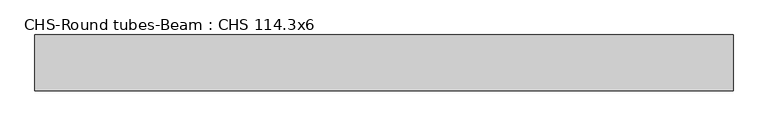
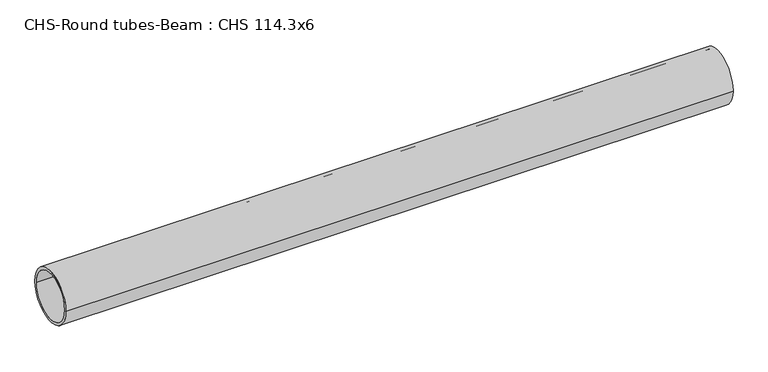
"""IFC4 building model written with IfcOpenShell, lengths in millimetres: beam geometry, CHS-Round tubes-Beam : CHS 114.3x6."""

from ifc_helpers import new_model, si_unit, point, frame, origin, origin_2d, place, context, project, spatial, circle_curve, trimmed, segment, composite_curve, outline, extrude, source, transform, mapped, element, save


def chs_round_tubes_beam_chs_114_3x6_82e7f76d(model_context):
    return source(origin(), model_context, "Body", "SweptSolid", [
        extrude(outline(composite_curve([segment(trimmed(circle_curve(origin_2d(), 57.15), [point((57.15, 0.0))], [point((-57.15, 0.0))], False, "CARTESIAN"), True, "CONTINUOUS"), segment(trimmed(circle_curve(origin_2d(), 57.15), [point((-57.15, 0.0))], [point((57.15, 0.0))], False, "CARTESIAN"), True, "CONTINUOUS")], self_intersect=False), holes=[composite_curve([segment(trimmed(circle_curve(origin_2d(), 51.15), [point((51.15, 0.0))], [point((-51.15, 0.0))], True, "CARTESIAN"), True, "CONTINUOUS"), segment(trimmed(circle_curve(origin_2d(), 51.15), [point((-51.15, 0.0))], [point((51.15, 0.0))], True, "CARTESIAN"), True, "CONTINUOUS")], self_intersect=False)]), frame((-703.043354, 0.0, 0.0), z_axis=(1.0, 0.0, 0.0), x_axis=(0.0, 1.0, 0.0)), (0.0, 0.0, 1.0), 1422.8580496),
    ])


if __name__ == "__main__":
    model = new_model("IFC4")
    model_context = context("Model", 3, world=origin())
    ifc_project = project(units=[si_unit("LENGTHUNIT", "METRE", prefix="MILLI")], contexts=[model_context])
    site = spatial("IfcSite", under=ifc_project)
    building = spatial("IfcBuilding", under=site)
    placement = place(None, origin())
    chs_round_tubes_beam_chs_114_3x6_shape = chs_round_tubes_beam_chs_114_3x6_82e7f76d(model_context)
    element("IfcBeam", 1, ObjectType="CHS-Round tubes-Beam : CHS 114.3x6", at=placement, inside=building, context=model_context, shape_type="MappedRepresentation", body=[
        mapped(chs_round_tubes_beam_chs_114_3x6_shape, transform((0.0, 0.0, 0.0), x_axis=(1.0, 0.0, 0.0), y_axis=(0.0, 1.0, 0.0), z_axis=(0.0, 0.0, 1.0))),
    ])
    save(model, "model.ifc")
